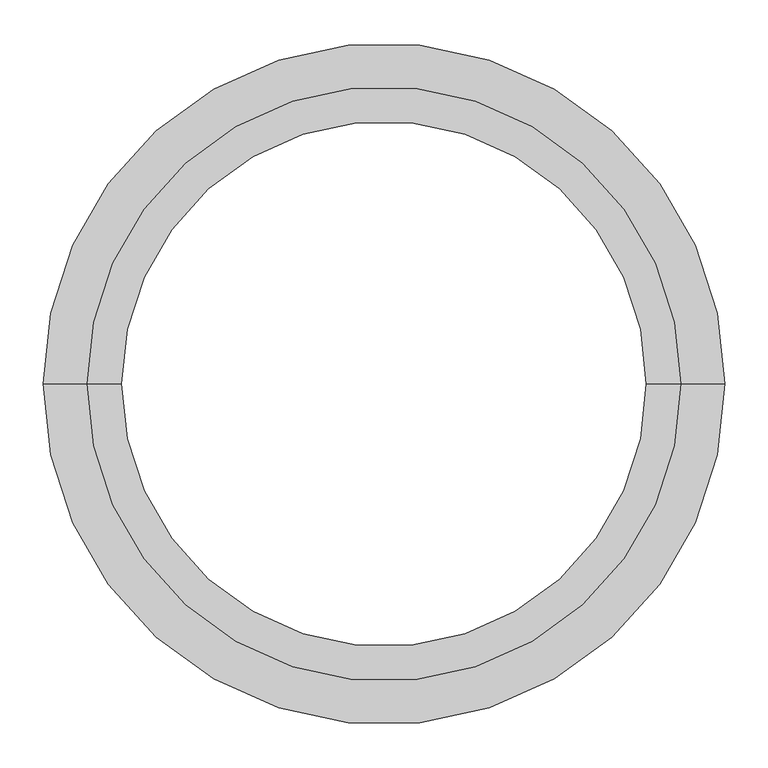
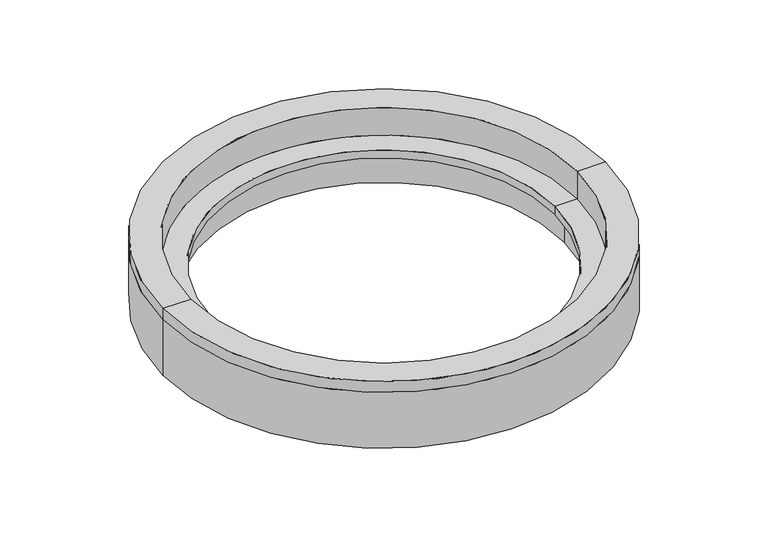
"""IFC4 building model written with IfcOpenShell, lengths in millimetres: sanitary terminal geometry."""

from ifc_helpers import new_model, si_unit, frame, origin, origin_with_axes, place, context, project, spatial, polyline, circle_curve, source, transform, mapped, element, save
from ifc_brep_helpers import plane_surface, cylinder_surface, revolved_surface, advanced_brep


def sanitary_terminal_23fca989(model_context):
    return source(origin(), model_context, "Body", "AdvancedBrep", [
        advanced_brep(
        [(-302.5, 0.0, -52.0), (302.5, 0.0, -52.0), (342.5, 0.0, -52.0), (-342.5, 0.0, -52.0), (-302.5, 0.0, -67.0), (302.5, 0.0, -67.0), (-320.0, 0.0, -67.0), (320.0, 0.0, -67.0), (-320.0, 0.0, -125.0), (320.0, 0.0, -125.0), (-330.0, 0.0, -125.0), (330.0, 0.0, -125.0), (-330.0, 0.0, -67.0), (330.0, 0.0, -67.0), (-352.5, 0.0, -67.0), (352.5, 0.0, -67.0), (-352.5, 0.0, -20.0), (352.5, 0.0, -20.0), (-392.5, 0.0, -20.0), (392.5, 0.0, -20.0), (-392.5, 0.0, 0.0), (392.5, 0.0, 0.0), (-342.5, 0.0, 0.0), (342.5, 0.0, 0.0)],
        [
            (0, 1, circle_curve(frame((0.0, 0.0, -52.0), z_axis=(0.0, 0.0, -1.0), x_axis=(1.0, 0.0, 0.0)), 302.5)),
            (1, 2),
            (2, 3, circle_curve(frame((0.0, 0.0, -52.0), z_axis=(0.0, 0.0, 1.0), x_axis=(1.0, 0.0, 0.0)), 342.5)),
            (3, 0),
            (1, 0, circle_curve(frame((0.0, 0.0, -52.0), z_axis=(0.0, 0.0, -1.0), x_axis=(1.0, 0.0, 0.0)), 302.5)),
            (3, 2, circle_curve(frame((0.0, 0.0, -52.0), z_axis=(0.0, 0.0, 1.0), x_axis=(1.0, 0.0, 0.0)), 342.5)),
            (4, 5, circle_curve(frame((0.0, 0.0, -67.0), z_axis=(0.0, 0.0, -1.0), x_axis=(1.0, 0.0, 0.0)), 302.5)),
            (5, 1),
            (0, 4),
            (5, 4, circle_curve(frame((0.0, 0.0, -67.0), z_axis=(0.0, 0.0, -1.0), x_axis=(1.0, 0.0, 0.0)), 302.5)),
            (6, 7, circle_curve(frame((0.0, 0.0, -67.0), z_axis=(0.0, 0.0, -1.0), x_axis=(1.0, 0.0, 0.0)), 320.0)),
            (7, 5),
            (4, 6),
            (7, 6, circle_curve(frame((0.0, 0.0, -67.0), z_axis=(0.0, 0.0, -1.0), x_axis=(1.0, 0.0, 0.0)), 320.0)),
            (8, 9, circle_curve(frame((0.0, 0.0, -125.0), z_axis=(0.0, 0.0, -1.0), x_axis=(1.0, 0.0, 0.0)), 320.0)),
            (9, 7),
            (6, 8),
            (9, 8, circle_curve(frame((0.0, 0.0, -125.0), z_axis=(0.0, 0.0, -1.0), x_axis=(1.0, 0.0, 0.0)), 320.0)),
            (10, 11, circle_curve(frame((0.0, 0.0, -125.0), z_axis=(0.0, 0.0, -1.0), x_axis=(1.0, 0.0, 0.0)), 330.0)),
            (11, 9),
            (8, 10),
            (11, 10, circle_curve(frame((0.0, 0.0, -125.0), z_axis=(0.0, 0.0, -1.0), x_axis=(1.0, 0.0, 0.0)), 330.0)),
            (12, 13, circle_curve(frame((0.0, 0.0, -67.0), z_axis=(0.0, 0.0, -1.0), x_axis=(1.0, 0.0, 0.0)), 330.0)),
            (13, 11),
            (10, 12),
            (13, 12, circle_curve(frame((0.0, 0.0, -67.0), z_axis=(0.0, 0.0, -1.0), x_axis=(1.0, 0.0, 0.0)), 330.0)),
            (14, 15, circle_curve(frame((0.0, 0.0, -67.0), z_axis=(0.0, 0.0, -1.0), x_axis=(1.0, 0.0, 0.0)), 352.5)),
            (15, 13),
            (12, 14),
            (15, 14, circle_curve(frame((0.0, 0.0, -67.0), z_axis=(0.0, 0.0, -1.0), x_axis=(1.0, 0.0, 0.0)), 352.5)),
            (16, 17, circle_curve(frame((0.0, 0.0, -20.0), z_axis=(0.0, 0.0, -1.0), x_axis=(1.0, 0.0, 0.0)), 352.5)),
            (17, 15),
            (14, 16),
            (17, 16, circle_curve(frame((0.0, 0.0, -20.0), z_axis=(0.0, 0.0, -1.0), x_axis=(1.0, 0.0, 0.0)), 352.5)),
            (18, 19, circle_curve(frame((0.0, 0.0, -20.0), z_axis=(0.0, 0.0, -1.0), x_axis=(1.0, 0.0, 0.0)), 392.5)),
            (19, 17),
            (16, 18),
            (19, 18, circle_curve(frame((0.0, 0.0, -20.0), z_axis=(0.0, 0.0, -1.0), x_axis=(1.0, 0.0, 0.0)), 392.5)),
            (20, 21, circle_curve(frame((0.0, 0.0, 0.0), z_axis=(0.0, 0.0, -1.0), x_axis=(1.0, 0.0, 0.0)), 392.5)),
            (21, 19),
            (18, 20),
            (21, 20, circle_curve(frame((0.0, 0.0, 0.0), z_axis=(0.0, 0.0, -1.0), x_axis=(1.0, 0.0, 0.0)), 392.5)),
            (22, 23, circle_curve(frame((0.0, 0.0, 0.0), z_axis=(0.0, 0.0, -1.0), x_axis=(1.0, 0.0, 0.0)), 342.5)),
            (23, 21),
            (20, 22),
            (23, 22, circle_curve(frame((0.0, 0.0, 0.0), z_axis=(0.0, 0.0, -1.0), x_axis=(1.0, 0.0, 0.0)), 342.5)),
            (2, 23),
            (22, 3),
        ],
        [
            plane_surface(frame((0.0, 0.0, -52.0), z_axis=(0.0, 0.0, 1.0), x_axis=(1.0, 0.0, 0.0))),
            revolved_surface(polyline([(302.5, 0.0, -52.0), (302.5, 0.0, -67.00000000000003)]), (0.0, 0.0, 199.8665164), (0.0, 0.0, 1.0)),
            plane_surface(frame((0.0, 0.0, -67.0), z_axis=(0.0, 0.0, -1.0), x_axis=(1.0, 0.0, 0.0))),
            revolved_surface(polyline([(320.0, 0.0, -67.00000000000003), (320.0, 0.0, -125.00000000000003)]), (0.0, 0.0, 199.8665164), (0.0, 0.0, 1.0)),
            plane_surface(frame((0.0, 0.0, -125.0), z_axis=(0.0, 0.0, -1.0), x_axis=(1.0, 0.0, 0.0))),
            cylinder_surface(frame((0.0, 0.0, 199.8665164), z_axis=(0.0, 0.0, 1.0), x_axis=(1.0, 0.0, 0.0)), 330.0),
            cylinder_surface(frame((0.0, 0.0, 199.8665164), z_axis=(0.0, 0.0, 1.0), x_axis=(1.0, 0.0, 0.0)), 352.5),
            plane_surface(frame((0.0, 0.0, -20.0), z_axis=(0.0, 0.0, -1.0), x_axis=(1.0, 0.0, 0.0))),
            cylinder_surface(frame((0.0, 0.0, 199.8665164), z_axis=(0.0, 0.0, 1.0), x_axis=(1.0, 0.0, 0.0)), 392.5),
            plane_surface(origin_with_axes()),
            revolved_surface(polyline([(342.5, 0.0, 0.0), (342.5, 0.0, -52.0)]), (0.0, 0.0, 199.8665164), (0.0, 0.0, 1.0)),
        ],
        [
            (0, [[1, 2, 3, 4]]),
            (0, [[5, -4, 6, -2]]),
            (1, [[7, 8, -1, 9]]),
            (1, [[10, -9, -5, -8]]),
            (2, [[11, 12, -7, 13]]),
            (2, [[14, -13, -10, -12]]),
            (3, [[15, 16, -11, 17]]),
            (3, [[18, -17, -14, -16]]),
            (4, [[19, 20, -15, 21]]),
            (4, [[22, -21, -18, -20]]),
            (5, [[23, 24, -19, 25]]),
            (5, [[26, -25, -22, -24]]),
            (2, [[27, 28, -23, 29]]),
            (2, [[30, -29, -26, -28]]),
            (6, [[31, 32, -27, 33]]),
            (6, [[34, -33, -30, -32]]),
            (7, [[35, 36, -31, 37]]),
            (7, [[38, -37, -34, -36]]),
            (8, [[39, 40, -35, 41]]),
            (8, [[42, -41, -38, -40]]),
            (9, [[43, 44, -39, 45]]),
            (9, [[46, -45, -42, -44]]),
            (10, [[-3, 47, -43, 48]]),
            (10, [[-6, -48, -46, -47]]),
        ],
    ),
        advanced_brep(
        [(-352.5, 0.0, -20.0), (352.5, 0.0, -20.0), (392.5, 0.0, -20.0), (-392.5, 0.0, -20.0), (-330.0, 0.0, -67.0), (330.0, 0.0, -67.0), (352.5, 0.0, -67.0), (-352.5, 0.0, -67.0), (-330.0, 0.0, -125.0), (330.0, 0.0, -125.0), (-392.5, 0.0, -125.0), (392.5, 0.0, -125.0)],
        [
            (0, 1, circle_curve(frame((0.0, 0.0, -20.0), z_axis=(0.0, 0.0, -1.0), x_axis=(1.0, 0.0, 0.0)), 352.5)),
            (1, 2),
            (2, 3, circle_curve(frame((0.0, 0.0, -20.0), z_axis=(0.0, 0.0, 1.0), x_axis=(1.0, 0.0, 0.0)), 392.5)),
            (3, 0),
            (1, 0, circle_curve(frame((0.0, 0.0, -20.0), z_axis=(0.0, 0.0, -1.0), x_axis=(1.0, 0.0, 0.0)), 352.5)),
            (3, 2, circle_curve(frame((0.0, 0.0, -20.0), z_axis=(0.0, 0.0, 1.0), x_axis=(1.0, 0.0, 0.0)), 392.5)),
            (4, 5, circle_curve(frame((0.0, 0.0, -67.0), z_axis=(0.0, 0.0, -1.0), x_axis=(1.0, 0.0, 0.0)), 330.0)),
            (5, 6),
            (6, 7, circle_curve(frame((0.0, 0.0, -67.0), z_axis=(0.0, 0.0, 1.0), x_axis=(1.0, 0.0, 0.0)), 352.5)),
            (7, 4),
            (5, 4, circle_curve(frame((0.0, 0.0, -67.0), z_axis=(0.0, 0.0, -1.0), x_axis=(1.0, 0.0, 0.0)), 330.0)),
            (7, 6, circle_curve(frame((0.0, 0.0, -67.0), z_axis=(0.0, 0.0, 1.0), x_axis=(1.0, 0.0, 0.0)), 352.5)),
            (6, 1),
            (0, 7),
            (8, 9, circle_curve(frame((0.0, 0.0, -125.0), z_axis=(0.0, 0.0, -1.0), x_axis=(1.0, 0.0, 0.0)), 330.0)),
            (9, 5),
            (4, 8),
            (9, 8, circle_curve(frame((0.0, 0.0, -125.0), z_axis=(0.0, 0.0, -1.0), x_axis=(1.0, 0.0, 0.0)), 330.0)),
            (10, 11, circle_curve(frame((0.0, 0.0, -125.0), z_axis=(0.0, 0.0, -1.0), x_axis=(1.0, 0.0, 0.0)), 392.5)),
            (11, 9),
            (8, 10),
            (11, 10, circle_curve(frame((0.0, 0.0, -125.0), z_axis=(0.0, 0.0, -1.0), x_axis=(1.0, 0.0, 0.0)), 392.5)),
            (2, 11),
            (10, 3),
        ],
        [
            plane_surface(frame((0.0, 0.0, -20.0), z_axis=(0.0, 0.0, 1.0), x_axis=(1.0, 0.0, 0.0))),
            plane_surface(frame((0.0, 0.0, -67.0), z_axis=(0.0, 0.0, 1.0), x_axis=(1.0, 0.0, 0.0))),
            revolved_surface(polyline([(352.5, 0.0, -20.0), (352.5, 0.0, -67.0)]), (0.0, 0.0, 1100.0), (0.0, 0.0, 1.0)),
            revolved_surface(polyline([(330.0, 0.0, -67.0), (330.0, 0.0, -125.0)]), (0.0, 0.0, 1100.0), (0.0, 0.0, 1.0)),
            plane_surface(frame((0.0, 0.0, -125.0), z_axis=(0.0, 0.0, -1.0), x_axis=(1.0, 0.0, 0.0))),
            cylinder_surface(frame((0.0, 0.0, 1100.0), z_axis=(0.0, 0.0, 1.0), x_axis=(1.0, 0.0, 0.0)), 392.5),
        ],
        [
            (0, [[1, 2, 3, 4]]),
            (0, [[5, -4, 6, -2]]),
            (1, [[7, 8, 9, 10]]),
            (1, [[11, -10, 12, -8]]),
            (2, [[-9, 13, -1, 14]]),
            (2, [[-12, -14, -5, -13]]),
            (3, [[15, 16, -7, 17]]),
            (3, [[18, -17, -11, -16]]),
            (4, [[19, 20, -15, 21]]),
            (4, [[22, -21, -18, -20]]),
            (5, [[-3, 23, -19, 24]]),
            (5, [[-6, -24, -22, -23]]),
        ],
    ),
    ])


if __name__ == "__main__":
    model = new_model("IFC4")
    model_context = context("Model", 3, world=origin())
    ifc_project = project(units=[si_unit("LENGTHUNIT", "METRE", prefix="MILLI")], contexts=[model_context])
    site = spatial("IfcSite", under=ifc_project)
    building = spatial("IfcBuilding", under=site)
    placement = place(None, origin())
    sanitary_terminal_shape = sanitary_terminal_23fca989(model_context)
    element("IfcSanitaryTerminal", 1, at=placement, inside=building, context=model_context, shape_type="MappedRepresentation", body=[
        mapped(sanitary_terminal_shape, transform((0.0, 0.0, 0.0), x_axis=(1.0, 0.0, 0.0), y_axis=(0.0, 1.0, 0.0), z_axis=(0.0, 0.0, 1.0))),
    ])
    save(model, "model.ifc")
